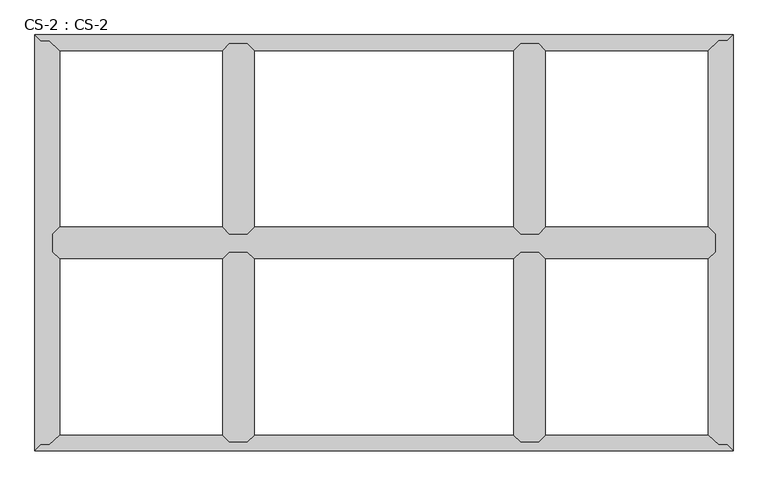
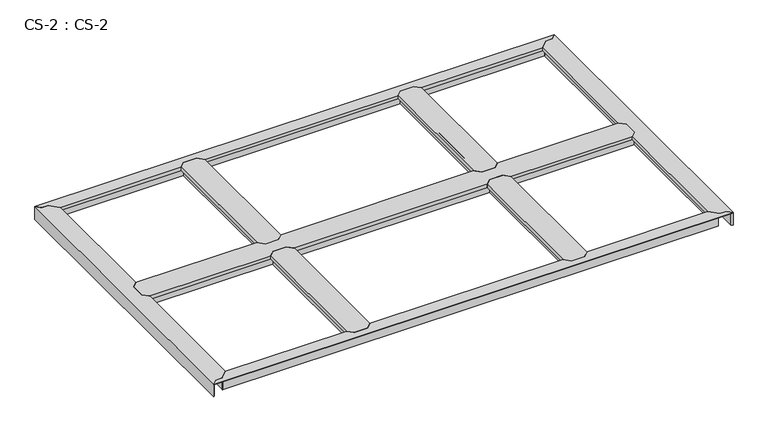
"""IFC4 building model written with IfcOpenShell, lengths in millimetres: proxy geometry, CS-2 : CS-2."""

import ifcopenshell
import ifcopenshell.guid

model = None  # the IFC model being written
_history = None  # IfcOwnerHistory: only IFC2X3 demands one
_inside = {}  # id of a spatial element -> (the spatial element, [elements in it])
_under = {}  # id of a project, library or spatial element -> (it, [spatial elements below it])
_declared = {}  # id of a project -> (the project, [libraries it declares])
_typed = {}  # id of a type object -> (the type object, [elements of that type])
_made_of = {}  # id of a material, layer set ... -> (it, [elements and type objects made of it])


def new_model(schema):
    """Start an empty IFC model of exactly this schema.

    Asked for "IFC4X3", IfcOpenShell would pick the latest addendum, in which some entities
    have other attributes; the version numbers below select the first issue.
    IFC2X3 requires an IfcOwnerHistory on every rooted entity: one is made here for all.
    """
    global model, _history
    if schema == "IFC4X3":
        model = ifcopenshell.file(schema_version=(4, 3, 0, 0))
    else:
        model = ifcopenshell.file(schema=schema)
    _inside.clear()
    _under.clear()
    _declared.clear()
    _typed.clear()
    _made_of.clear()
    _history = None
    if model.schema == "IFC2X3":
        org = make("IfcOrganization", Name="unknown")
        user = make(
            "IfcPersonAndOrganization",
            ThePerson=make("IfcPerson", FamilyName="unknown"),
            TheOrganization=org,
        )
        app = make(
            "IfcApplication",
            ApplicationDeveloper=org,
            Version="unknown",
            ApplicationFullName="unknown",
            ApplicationIdentifier="unknown",
        )
        _history = make(
            "IfcOwnerHistory",
            OwningUser=user,
            OwningApplication=app,
            ChangeAction="ADDED",
            CreationDate=0,
        )
    return model


def make(cls, **values):
    """One entity of the class cls with the attributes given. An attribute that is None is left unset."""
    return model.create_entity(
        cls, **{name: value for name, value in values.items() if value is not None}
    )


def rooted(cls, **values):
    """An entity with a GlobalId (a new one), such as an element, a storey or a relation."""
    return make(cls, GlobalId=ifcopenshell.guid.new(), OwnerHistory=_history, **values)


def si_unit(unit_type, name, prefix=None):
    """IfcSIUnit, for example si_unit("LENGTHUNIT", "METRE", prefix="MILLI")."""
    return make("IfcSIUnit", UnitType=unit_type, Prefix=prefix, Name=name)


def assignment(units):
    """IfcUnitAssignment: the units of a project."""
    return None if units is None else make("IfcUnitAssignment", Units=units)


def point(xyz):
    """IfcCartesianPoint."""
    return None if xyz is None else make("IfcCartesianPoint", Coordinates=xyz)


def direction(xyz):
    """IfcDirection."""
    return None if xyz is None else make("IfcDirection", DirectionRatios=xyz)


def frame(location, z_axis=None, x_axis=None):
    """IfcAxis2Placement3D, a coordinate frame: its origin and axes. An axis left out is left unset."""
    return make(
        "IfcAxis2Placement3D",
        Location=point(location),
        Axis=direction(z_axis),
        RefDirection=direction(x_axis),
    )


def origin():
    """The frame at (0, 0, 0) with its axes left unset."""
    return frame((0.0, 0.0, 0.0))


def place(relative_to, where):
    """IfcLocalPlacement: puts the frame where relative to a parent placement (None: the world)."""
    return make(
        "IfcLocalPlacement", PlacementRelTo=relative_to, RelativePlacement=where
    )


def context(
    kind, dimensions, precision=None, world=None, true_north=None, identifier=None
):
    """IfcGeometricRepresentationContext, for example the 3D "Model" context."""
    return make(
        "IfcGeometricRepresentationContext",
        ContextIdentifier=identifier,
        ContextType=kind,
        CoordinateSpaceDimension=dimensions,
        Precision=precision,
        WorldCoordinateSystem=world,
        TrueNorth=true_north,
    )


def project(units=None, contexts=None):
    """IfcProject with its units and contexts."""
    return rooted(
        "IfcProject",
        Name="project",
        RepresentationContexts=contexts,
        UnitsInContext=assignment(units),
    )


def spatial(cls, under=None, at=None, **own):
    """A site, building, storey or space (cls), placed at a placement, below another one or the project."""
    s = rooted(cls, ObjectPlacement=at, **own)
    if under is not None:
        _under.setdefault(under.id(), (under, []))[1].append(s)
    return s


def faces_of(points, faces, orient=None, outer=None):
    """IfcFace entities. A face is a list of loops; a loop is a list of indices into points, from 0.

    orient and outer hold one flag for each loop. By default every Orientation is true, the
    first loop of a face is its IfcFaceOuterBound and the others are IfcFaceBound.
    """
    made = []
    for i, loops in enumerate(faces):
        bounds = []
        for j, loop in enumerate(loops):
            is_outer = j == 0 if outer is None else outer[i][j]
            bounds.append(
                make(
                    "IfcFaceOuterBound" if is_outer else "IfcFaceBound",
                    Bound=make("IfcPolyLoop", Polygon=[points[k] for k in loop]),
                    Orientation=True if orient is None else orient[i][j],
                )
            )
        made.append(make("IfcFace", Bounds=bounds))
    return made


def faceted_brep(points, faces, orient=None, outer=None, voids=None):
    """IfcFacetedBrep: a solid bounded by flat faces; with voids (closed shells), ...WithVoids."""
    shared = [point(p) for p in points]
    hull = make("IfcClosedShell", CfsFaces=faces_of(shared, faces, orient, outer))
    if voids is None:
        return make("IfcFacetedBrep", Outer=hull)
    return make(
        "IfcFacetedBrepWithVoids",
        Outer=hull,
        Voids=[
            make(cls, CfsFaces=faces_of(shared, fs, o, b)) for cls, fs, o, b in voids
        ],
    )


def shape(context_of_items, identifier, shape_type, items):
    """IfcShapeRepresentation: the items that make up one representation, for example the "Body"."""
    return make(
        "IfcShapeRepresentation",
        ContextOfItems=context_of_items,
        RepresentationIdentifier=identifier,
        RepresentationType=shape_type,
        Items=items,
    )


def source(mapping_origin, context_of_items, identifier, shape_type, items):
    """IfcRepresentationMap: a shape defined once, which mapped items show again and again."""
    return make(
        "IfcRepresentationMap",
        MappingOrigin=mapping_origin,
        MappedRepresentation=shape(context_of_items, identifier, shape_type, items),
    )


def transform(
    local_origin,
    x_axis=None,
    y_axis=None,
    z_axis=None,
    scale=None,
    scale2=None,
    scale3=None,
    uniform=True,
):
    """IfcCartesianTransformationOperator3D, or its non-uniform kind. x_axis, y_axis, z_axis: its Axis1, 2, 3."""
    if uniform:
        return make(
            "IfcCartesianTransformationOperator3D",
            Axis1=direction(x_axis),
            Axis2=direction(y_axis),
            LocalOrigin=point(local_origin),
            Scale=scale,
            Axis3=direction(z_axis),
        )
    return make(
        "IfcCartesianTransformationOperator3DnonUniform",
        Axis1=direction(x_axis),
        Axis2=direction(y_axis),
        LocalOrigin=point(local_origin),
        Scale=scale,
        Axis3=direction(z_axis),
        Scale2=scale2,
        Scale3=scale3,
    )


def mapped(mapping_source, mapping_target):
    """IfcMappedItem: shows the shape of a source again, moved by a transform."""
    return make(
        "IfcMappedItem", MappingSource=mapping_source, MappingTarget=mapping_target
    )


def made_of(thing, what):
    """Note that an element or type object is made of a material, layer set ...; save() writes the relation."""
    if what is not None:
        _made_of.setdefault(what.id(), (what, []))[1].append(thing)
    return thing


def element(
    cls,
    number,
    at=None,
    inside=None,
    cuts=None,
    type_object=None,
    material=None,
    context=None,
    identifier="Body",
    shape_type=None,
    held_by="IfcProductDefinitionShape",
    body=None,
    shapes=None,
    **own,
):
    """One element of the class cls, such as IfcWall. Its Tag is "e" and its number.

    at: its placement. inside: the storey or other place that contains it. cuts: it is an
    opening in that element (IfcRelVoidsElement). A single representation is given by context,
    identifier, shape_type and body (its items); several are given by shapes. held_by: the class
    of the entity that holds the representations. save() writes the other relations.
    """
    e = rooted(cls, Tag="e%d" % number, ObjectPlacement=at, **own)
    if body is not None:
        shapes = [shape(context, identifier, shape_type, body)]
    if shapes is not None:
        e.Representation = make(held_by, Representations=shapes)
    if inside is not None:
        _inside.setdefault(inside.id(), (inside, []))[1].append(e)
    if cuts is not None:
        rooted(
            "IfcRelVoidsElement", RelatingBuildingElement=cuts, RelatedOpeningElement=e
        )
    if type_object is not None:
        _typed.setdefault(type_object.id(), (type_object, []))[1].append(e)
    return made_of(e, material)


def aggregate(whole, parts):
    """IfcRelAggregates: a whole, such as a stair, and the parts it consists of."""
    return rooted("IfcRelAggregates", RelatingObject=whole, RelatedObjects=parts)


def save(model, path):
    """Write the relations noted so far, then the file.

    IfcRelAggregates (storeys below a building ...), IfcRelContainedInSpatialStructure (elements
    in a storey), IfcRelDefinesByType, IfcRelAssociatesMaterial and IfcRelDeclares: one each for
    every whole, place, type object, material and project.
    """
    for whole, parts in _under.values():
        aggregate(whole, parts)
    for where, things in _inside.values():
        rooted(
            "IfcRelContainedInSpatialStructure",
            RelatedElements=things,
            RelatingStructure=where,
        )
    for kind, things in _typed.values():
        rooted("IfcRelDefinesByType", RelatedObjects=things, RelatingType=kind)
    for what, things in _made_of.values():
        rooted("IfcRelAssociatesMaterial", RelatedObjects=things, RelatingMaterial=what)
    for by, libraries in _declared.values():
        rooted("IfcRelDeclares", RelatingContext=by, RelatedDefinitions=libraries)
    model.write(path)


def cs_2_cs_2_f6563e17(model_context):
    return source(origin(), model_context, "Body", "Brep", [
        faceted_brep([(1844.04, 1490.98, 46.355), (1844.04, 1490.98, 0.0), (1837.055, 1490.98, 0.0), (1837.055, 1490.98, 63.5), (1784.985, 1490.98, 63.5), (1784.985, 1490.98, 0.0), (1778.0, 1490.98, 0.0), (1778.0, 1490.98, 46.355), (1778.0, 1490.98, 66.675), (1844.04, 1490.98, 66.675), (1778.0, 795.02, 46.355), (1778.0, 795.02, 0.0), (1784.985, 795.02, 0.0), (1784.985, 795.02, 63.5), (1837.055, 795.02, 63.5), (1837.055, 795.02, 0.0), (1844.04, 795.02, 0.0), (1844.04, 795.02, 46.355), (1844.04, 795.02, 66.675), (1778.0, 795.02, 66.675), (1753.362, 819.658, 66.675), (1753.362, 1466.342, 66.675), (1753.362, 1466.342, 49.8094), (1753.362, 819.658, 49.8094), (1754.886, 1467.866, 49.8094), (1754.886, 818.134, 49.8094), (1754.886, 1467.866, 64.643), (1754.886, 818.134, 64.643), (1765.173, 1478.153, 64.643), (1765.173, 807.847, 64.643), (1765.173, 1478.153, 46.355), (1765.173, 807.847, 46.355), (1856.867, 1478.153, 46.355), (1856.867, 807.847, 46.355), (1856.867, 1478.153, 64.643), (1856.867, 807.847, 64.643), (1867.154, 1467.866, 64.643), (1867.154, 818.134, 64.643), (1867.154, 1467.866, 49.8094), (1867.154, 818.134, 49.8094), (1868.678, 1466.342, 49.8094), (1868.678, 819.658, 49.8094), (1868.678, 1466.342, 66.675), (1868.678, 819.658, 66.675)], [[[0, 1, 2, 3, 4, 5, 6, 7, 8, 9]], [[10, 11, 12, 13, 14, 15, 16, 17, 18, 19]], [[20, 21, 22, 23]], [[23, 22, 24, 25]], [[25, 24, 26, 27]], [[27, 26, 28, 29]], [[29, 28, 30, 31]], [[7, 10, 31, 30]], [[7, 6, 11, 10]], [[6, 5, 12, 11]], [[5, 4, 13, 12]], [[4, 3, 14, 13]], [[3, 2, 15, 14]], [[2, 1, 16, 15]], [[1, 0, 17, 16]], [[17, 0, 32, 33]], [[33, 32, 34, 35]], [[35, 34, 36, 37]], [[37, 36, 38, 39]], [[39, 38, 40, 41]], [[41, 40, 42, 43]], [[9, 8, 21, 20, 19, 18, 43, 42]], [[10, 19, 20, 23, 25, 27, 29, 31]], [[18, 17, 33, 35, 37, 39, 41, 43]], [[0, 9, 42, 40, 38, 36, 34, 32]], [[8, 7, 30, 28, 26, 24, 22, 21]]]),
        faceted_brep([(777.24, 1490.98, 46.355), (777.24, 1490.98, 0.0), (770.255, 1490.98, 0.0), (770.255, 1490.98, 63.5), (718.185, 1490.98, 63.5), (718.185, 1490.98, 0.0), (711.2, 1490.98, 0.0), (711.2, 1490.98, 46.355), (711.2, 1490.98, 66.675), (777.24, 1490.98, 66.675), (711.2, 795.02, 46.355), (711.2, 795.02, 0.0), (718.185, 795.02, 0.0), (718.185, 795.02, 63.5), (770.255, 795.02, 63.5), (770.255, 795.02, 0.0), (777.24, 795.02, 0.0), (777.24, 795.02, 46.355), (777.24, 795.02, 66.675), (711.2, 795.02, 66.675), (686.562, 819.658, 66.675), (686.562, 1466.342, 66.675), (686.562, 1466.342, 49.8094), (686.562, 819.658, 49.8094), (688.086, 1467.866, 49.8094), (688.086, 818.134, 49.8094), (688.086, 1467.866, 64.643), (688.086, 818.134, 64.643), (698.373, 1478.153, 64.643), (698.373, 807.847, 64.643), (698.373, 1478.153, 46.355), (698.373, 807.847, 46.355), (790.067, 1478.153, 46.355), (790.067, 807.847, 46.355), (790.067, 1478.153, 64.643), (790.067, 807.847, 64.643), (800.354, 1467.866, 64.643), (800.354, 818.134, 64.643), (800.354, 1467.866, 49.8094), (800.354, 818.134, 49.8094), (801.878, 1466.342, 49.8094), (801.878, 819.658, 49.8094), (801.878, 1466.342, 66.675), (801.878, 819.658, 66.675)], [[[0, 1, 2, 3, 4, 5, 6, 7, 8, 9]], [[10, 11, 12, 13, 14, 15, 16, 17, 18, 19]], [[20, 21, 22, 23]], [[23, 22, 24, 25]], [[25, 24, 26, 27]], [[27, 26, 28, 29]], [[29, 28, 30, 31]], [[7, 10, 31, 30]], [[7, 6, 11, 10]], [[6, 5, 12, 11]], [[5, 4, 13, 12]], [[4, 3, 14, 13]], [[3, 2, 15, 14]], [[2, 1, 16, 15]], [[1, 0, 17, 16]], [[17, 0, 32, 33]], [[33, 32, 34, 35]], [[35, 34, 36, 37]], [[37, 36, 38, 39]], [[39, 38, 40, 41]], [[41, 40, 42, 43]], [[9, 8, 21, 20, 19, 18, 43, 42]], [[10, 19, 20, 23, 25, 27, 29, 31]], [[18, 17, 33, 35, 37, 39, 41, 43]], [[0, 9, 42, 40, 38, 36, 34, 32]], [[8, 7, 30, 28, 26, 24, 22, 21]]]),
        faceted_brep([(2489.2, 728.98, 46.355), (2489.2, 728.98, 0.0), (2489.2, 735.965, 0.0), (2489.2, 735.965, 63.5), (2489.2, 788.035, 63.5), (2489.2, 788.035, 0.0), (2489.2, 795.02, 0.0), (2489.2, 795.02, 46.355), (2489.2, 795.02, 66.675), (2489.2, 728.98, 66.675), (66.04, 795.02, 46.355), (66.04, 795.02, 0.0), (66.04, 788.035, 0.0), (66.04, 788.035, 63.5), (66.04, 735.965, 63.5), (66.04, 735.965, 0.0), (66.04, 728.98, 0.0), (66.04, 728.98, 46.355), (66.04, 728.98, 66.675), (66.04, 795.02, 66.675), (90.678, 819.658, 49.8094), (90.678, 819.658, 66.675), (686.562, 819.658, 66.675), (686.562, 819.658, 49.8094), (2464.562, 819.658, 66.675), (2464.562, 819.658, 49.8094), (1868.678, 819.658, 49.8094), (1868.678, 819.658, 66.675), (801.878, 819.658, 49.8094), (801.878, 819.658, 66.675), (1753.362, 819.658, 66.675), (1753.362, 819.658, 49.8094), (89.154, 818.134, 49.8094), (688.086, 818.134, 49.8094), (2466.086, 818.134, 49.8094), (1867.154, 818.134, 49.8094), (800.354, 818.134, 49.8094), (1754.886, 818.134, 49.8094), (89.154, 818.134, 64.643), (688.086, 818.134, 64.643), (2466.086, 818.134, 64.643), (1867.154, 818.134, 64.643), (800.354, 818.134, 64.643), (1754.886, 818.134, 64.643), (78.867, 807.847, 64.643), (698.373, 807.847, 64.643), (2476.373, 807.847, 64.643), (1856.867, 807.847, 64.643), (790.067, 807.847, 64.643), (1765.173, 807.847, 64.643), (78.867, 807.847, 46.355), (698.373, 807.847, 46.355), (2476.373, 807.847, 46.355), (1856.867, 807.847, 46.355), (790.067, 807.847, 46.355), (1765.173, 807.847, 46.355), (711.2, 795.02, 46.355), (1844.04, 795.02, 46.355), (777.24, 795.02, 46.355), (1778.0, 795.02, 46.355), (711.2, 795.02, 66.675), (777.24, 795.02, 66.675), (1778.0, 795.02, 66.675), (1844.04, 795.02, 66.675), (1844.04, 728.98, 46.355), (1844.04, 728.98, 66.675), (1778.0, 728.98, 66.675), (1778.0, 728.98, 46.355), (777.24, 728.98, 46.355), (777.24, 728.98, 66.675), (711.2, 728.98, 66.675), (711.2, 728.98, 46.355), (78.867, 716.153, 46.355), (698.373, 716.153, 46.355), (2476.373, 716.153, 46.355), (1856.867, 716.153, 46.355), (790.067, 716.153, 46.355), (1765.173, 716.153, 46.355), (78.867, 716.153, 64.643), (698.373, 716.153, 64.643), (2476.373, 716.153, 64.643), (1856.867, 716.153, 64.643), (790.067, 716.153, 64.643), (1765.173, 716.153, 64.643), (89.154, 705.866, 64.643), (688.086, 705.866, 64.643), (2466.086, 705.866, 64.643), (1867.154, 705.866, 64.643), (800.354, 705.866, 64.643), (1754.886, 705.866, 64.643), (89.154, 705.866, 49.8094), (688.086, 705.866, 49.8094), (2466.086, 705.866, 49.8094), (1867.154, 705.866, 49.8094), (800.354, 705.866, 49.8094), (1754.886, 705.866, 49.8094), (90.678, 704.342, 49.8094), (686.562, 704.342, 49.8094), (2464.562, 704.342, 49.8094), (1868.678, 704.342, 49.8094), (801.878, 704.342, 49.8094), (1753.362, 704.342, 49.8094), (90.678, 704.342, 66.675), (686.562, 704.342, 66.675), (2464.562, 704.342, 66.675), (1868.678, 704.342, 66.675), (801.878, 704.342, 66.675), (1753.362, 704.342, 66.675)], [[[0, 1, 2, 3, 4, 5, 6, 7, 8, 9]], [[10, 11, 12, 13, 14, 15, 16, 17, 18, 19]], [[20, 21, 22, 23]], [[24, 25, 26, 27]], [[28, 29, 30, 31]], [[32, 20, 23, 33]], [[25, 34, 35, 26]], [[36, 28, 31, 37]], [[38, 32, 33, 39]], [[34, 40, 41, 35]], [[42, 36, 37, 43]], [[44, 38, 39, 45]], [[40, 46, 47, 41]], [[48, 42, 43, 49]], [[50, 44, 45, 51]], [[46, 52, 53, 47]], [[54, 48, 49, 55]], [[10, 50, 51, 56]], [[52, 7, 57, 53]], [[58, 54, 55, 59]], [[7, 6, 11, 10, 56, 60, 61, 58, 59, 62, 63, 57]], [[6, 5, 12, 11]], [[5, 4, 13, 12]], [[4, 3, 14, 13]], [[3, 2, 15, 14]], [[2, 1, 16, 15]], [[1, 0, 64, 65, 66, 67, 68, 69, 70, 71, 17, 16]], [[72, 17, 71, 73]], [[0, 74, 75, 64]], [[76, 68, 67, 77]], [[78, 72, 73, 79]], [[74, 80, 81, 75]], [[82, 76, 77, 83]], [[84, 78, 79, 85]], [[80, 86, 87, 81]], [[88, 82, 83, 89]], [[90, 84, 85, 91]], [[86, 92, 93, 87]], [[94, 88, 89, 95]], [[96, 90, 91, 97]], [[92, 98, 99, 93]], [[100, 94, 95, 101]], [[102, 96, 97, 103]], [[98, 104, 105, 99]], [[106, 100, 101, 107]], [[9, 8, 24, 27, 63, 62, 30, 29, 61, 60, 22, 21, 19, 18, 102, 103, 70, 69, 106, 107, 66, 65, 105, 104]], [[10, 19, 21, 20, 32, 38, 44, 50]], [[18, 17, 72, 78, 84, 90, 96, 102]], [[0, 9, 104, 98, 92, 86, 80, 74]], [[8, 7, 52, 46, 40, 34, 25, 24]], [[60, 56, 51, 45, 39, 33, 23, 22]], [[58, 61, 29, 28, 36, 42, 48, 54]], [[62, 59, 55, 49, 43, 37, 31, 30]], [[57, 63, 27, 26, 35, 41, 47, 53]], [[69, 68, 76, 82, 88, 94, 100, 106]], [[71, 70, 103, 97, 91, 85, 79, 73]], [[65, 64, 75, 81, 87, 93, 99, 105]], [[67, 66, 107, 101, 95, 89, 83, 77]]]),
        faceted_brep([(1844.04, 728.98, 46.355), (1844.04, 728.98, 0.0), (1837.055, 728.98, 0.0), (1837.055, 728.98, 63.5), (1784.985, 728.98, 63.5), (1784.985, 728.98, 0.0), (1778.0, 728.98, 0.0), (1778.0, 728.98, 46.355), (1778.0, 728.98, 66.675), (1844.04, 728.98, 66.675), (1778.0, 33.02, 46.355), (1778.0, 33.02, 0.0), (1784.985, 33.02, 0.0), (1784.985, 33.02, 63.5), (1837.055, 33.02, 63.5), (1837.055, 33.02, 0.0), (1844.04, 33.02, 0.0), (1844.04, 33.02, 46.355), (1844.04, 33.02, 66.675), (1778.0, 33.02, 66.675), (1753.362, 57.658, 66.675), (1753.362, 704.342, 66.675), (1753.362, 704.342, 49.8094), (1753.362, 57.658, 49.8094), (1754.886, 705.866, 49.8094), (1754.886, 56.134, 49.8094), (1754.886, 705.866, 64.643), (1754.886, 56.134, 64.643), (1765.173, 716.153, 64.643), (1765.173, 45.847, 64.643), (1765.173, 716.153, 46.355), (1765.173, 45.847, 46.355), (1856.867, 716.153, 46.355), (1856.867, 45.847, 46.355), (1856.867, 716.153, 64.643), (1856.867, 45.847, 64.643), (1867.154, 705.866, 64.643), (1867.154, 56.134, 64.643), (1867.154, 705.866, 49.8094), (1867.154, 56.134, 49.8094), (1868.678, 704.342, 49.8094), (1868.678, 57.658, 49.8094), (1868.678, 704.342, 66.675), (1868.678, 57.658, 66.675)], [[[0, 1, 2, 3, 4, 5, 6, 7, 8, 9]], [[10, 11, 12, 13, 14, 15, 16, 17, 18, 19]], [[20, 21, 22, 23]], [[23, 22, 24, 25]], [[25, 24, 26, 27]], [[27, 26, 28, 29]], [[29, 28, 30, 31]], [[7, 10, 31, 30]], [[7, 6, 11, 10]], [[6, 5, 12, 11]], [[5, 4, 13, 12]], [[4, 3, 14, 13]], [[3, 2, 15, 14]], [[2, 1, 16, 15]], [[1, 0, 17, 16]], [[17, 0, 32, 33]], [[33, 32, 34, 35]], [[35, 34, 36, 37]], [[37, 36, 38, 39]], [[39, 38, 40, 41]], [[41, 40, 42, 43]], [[9, 8, 21, 20, 19, 18, 43, 42]], [[10, 19, 20, 23, 25, 27, 29, 31]], [[18, 17, 33, 35, 37, 39, 41, 43]], [[0, 9, 42, 40, 38, 36, 34, 32]], [[8, 7, 30, 28, 26, 24, 22, 21]]]),
        faceted_brep([(777.24, 728.98, 46.355), (777.24, 728.98, 0.0), (770.255, 728.98, 0.0), (770.255, 728.98, 63.5), (718.185, 728.98, 63.5), (718.185, 728.98, 0.0), (711.2, 728.98, 0.0), (711.2, 728.98, 46.355), (711.2, 728.98, 66.675), (777.24, 728.98, 66.675), (711.2, 33.02, 46.355), (711.2, 33.02, 0.0), (718.185, 33.02, 0.0), (718.185, 33.02, 63.5), (770.255, 33.02, 63.5), (770.255, 33.02, 0.0), (777.24, 33.02, 0.0), (777.24, 33.02, 46.355), (777.24, 33.02, 66.675), (711.2, 33.02, 66.675), (686.562, 57.658, 66.675), (686.562, 704.342, 66.675), (686.562, 704.342, 49.8094), (686.562, 57.658, 49.8094), (688.086, 705.866, 49.8094), (688.086, 56.134, 49.8094), (688.086, 705.866, 64.643), (688.086, 56.134, 64.643), (698.373, 716.153, 64.643), (698.373, 45.847, 64.643), (698.373, 716.153, 46.355), (698.373, 45.847, 46.355), (790.067, 716.153, 46.355), (790.067, 45.847, 46.355), (790.067, 716.153, 64.643), (790.067, 45.847, 64.643), (800.354, 705.866, 64.643), (800.354, 56.134, 64.643), (800.354, 705.866, 49.8094), (800.354, 56.134, 49.8094), (801.878, 704.342, 49.8094), (801.878, 57.658, 49.8094), (801.878, 704.342, 66.675), (801.878, 57.658, 66.675)], [[[0, 1, 2, 3, 4, 5, 6, 7, 8, 9]], [[10, 11, 12, 13, 14, 15, 16, 17, 18, 19]], [[20, 21, 22, 23]], [[23, 22, 24, 25]], [[25, 24, 26, 27]], [[27, 26, 28, 29]], [[29, 28, 30, 31]], [[7, 10, 31, 30]], [[7, 6, 11, 10]], [[6, 5, 12, 11]], [[5, 4, 13, 12]], [[4, 3, 14, 13]], [[3, 2, 15, 14]], [[2, 1, 16, 15]], [[1, 0, 17, 16]], [[17, 0, 32, 33]], [[33, 32, 34, 35]], [[35, 34, 36, 37]], [[37, 36, 38, 39]], [[39, 38, 40, 41]], [[41, 40, 42, 43]], [[9, 8, 21, 20, 19, 18, 43, 42]], [[10, 19, 20, 23, 25, 27, 29, 31]], [[18, 17, 33, 35, 37, 39, 41, 43]], [[0, 9, 42, 40, 38, 36, 34, 32]], [[8, 7, 30, 28, 26, 24, 22, 21]]]),
        faceted_brep([(0.0, 0.0, 66.675), (2555.24, 0.0, 66.675), (2533.65, 21.59, 66.675), (2501.9, 21.59, 66.675), (2464.562, 57.658, 66.675), (1868.678, 57.658, 66.675), (1844.04, 33.02, 66.675), (1778.0, 33.02, 66.675), (1753.362, 57.658, 66.675), (801.878, 57.658, 66.675), (777.24, 33.02, 66.675), (711.2, 33.02, 66.675), (686.562, 57.658, 66.675), (90.678, 57.658, 66.675), (53.34, 21.59, 66.675), (21.59, 21.59, 66.675), (0.0, 0.0, 63.5), (2555.24, 0.0, 63.5), (21.59, 21.59, 63.5), (53.34, 21.59, 63.5), (57.9415141, 26.035, 63.5), (2497.2984859, 26.035, 63.5), (2501.9, 21.59, 63.5), (2533.65, 21.59, 63.5), (2497.2984859, 26.035, 0.0), (57.9415141, 26.035, 0.0), (65.1724648, 33.02, 0.0), (2490.0675352, 33.02, 0.0), (2490.0675352, 33.02, 46.355), (65.1724648, 33.02, 46.355), (711.2, 33.02, 46.355), (777.24, 33.02, 46.355), (1778.0, 33.02, 46.355), (1844.04, 33.02, 46.355), (2476.7888803, 45.847, 46.355), (1856.867, 45.847, 46.355), (78.4511197, 45.847, 46.355), (698.373, 45.847, 46.355), (1765.173, 45.847, 46.355), (790.067, 45.847, 46.355), (2476.7888803, 45.847, 64.643), (1856.867, 45.847, 64.643), (78.4511197, 45.847, 64.643), (698.373, 45.847, 64.643), (1765.173, 45.847, 64.643), (790.067, 45.847, 64.643), (2466.139662, 56.134, 64.643), (1867.154, 56.134, 64.643), (89.100338, 56.134, 64.643), (688.086, 56.134, 64.643), (1754.886, 56.134, 64.643), (800.354, 56.134, 64.643), (2466.139662, 56.134, 49.8094), (1867.154, 56.134, 49.8094), (89.100338, 56.134, 49.8094), (688.086, 56.134, 49.8094), (1754.886, 56.134, 49.8094), (800.354, 56.134, 49.8094), (2464.562, 57.658, 49.8094), (1868.678, 57.658, 49.8094), (90.678, 57.658, 49.8094), (686.562, 57.658, 49.8094), (1753.362, 57.658, 49.8094), (801.878, 57.658, 49.8094)], [[[0, 1, 2, 3, 4, 5, 6, 7, 8, 9, 10, 11, 12, 13, 14, 15]], [[1, 0, 16, 17]], [[17, 16, 18, 19, 20, 21, 22, 23]], [[24, 21, 20, 25]], [[26, 27, 24, 25]], [[28, 27, 26, 29, 30, 11, 10, 31, 32, 7, 6, 33]], [[34, 28, 33, 35]], [[29, 36, 37, 30]], [[38, 32, 31, 39]], [[40, 34, 35, 41]], [[36, 42, 43, 37]], [[44, 38, 39, 45]], [[46, 40, 41, 47]], [[42, 48, 49, 43]], [[50, 44, 45, 51]], [[52, 46, 47, 53]], [[48, 54, 55, 49]], [[56, 50, 51, 57]], [[58, 52, 53, 59]], [[54, 60, 61, 55]], [[62, 56, 57, 63]], [[4, 58, 59, 5]], [[60, 13, 12, 61]], [[8, 62, 63, 9]], [[23, 2, 1, 17]], [[3, 22, 21, 24, 27, 28, 34, 40, 46, 52, 58, 4]], [[2, 23, 22, 3]], [[18, 15, 14, 19]], [[19, 14, 13, 60, 54, 48, 42, 36, 29, 26, 25, 20]], [[15, 18, 16, 0]], [[7, 32, 38, 44, 50, 56, 62, 8]], [[33, 6, 5, 59, 53, 47, 41, 35]], [[11, 30, 37, 43, 49, 55, 61, 12]], [[31, 10, 9, 63, 57, 51, 45, 39]]]),
        faceted_brep([(2555.24, 1524.0, 0.0), (2555.24, 0.0, 0.0), (2548.255, 6.985, 0.0), (2548.255, 1517.015, 0.0), (2548.255, 1517.015, 63.5), (2548.255, 6.985, 63.5), (2533.65, 1502.41, 63.5), (2533.65, 21.59, 63.5), (2501.9, 21.59, 63.5), (2496.185, 27.1106122, 63.5), (2496.185, 1496.8893878, 63.5), (2501.9, 1502.41, 63.5), (2496.185, 1496.8893878, 0.0), (2496.185, 27.1106122, 0.0), (2489.2, 33.8580272, 0.0), (2489.2, 1490.1419728, 0.0), (2489.2, 1490.1419728, 46.355), (2489.2, 33.8580272, 46.355), (2489.2, 728.98, 46.355), (2489.2, 728.98, 66.675), (2489.2, 795.02, 66.675), (2489.2, 795.02, 46.355), (2476.373, 1477.7512653, 46.355), (2476.373, 807.847, 46.355), (2476.373, 46.2487347, 46.355), (2476.373, 716.153, 46.355), (2476.373, 1477.7512653, 63.5), (2476.373, 807.847, 63.5), (2476.373, 46.2487347, 63.5), (2476.373, 716.153, 63.5), (2466.086, 1467.8141633, 63.5), (2466.086, 818.134, 63.5), (2466.086, 56.1858367, 63.5), (2466.086, 705.866, 63.5), (2466.086, 1467.8141633, 49.8094), (2466.086, 818.134, 49.8094), (2466.086, 56.1858367, 49.8094), (2466.086, 705.866, 49.8094), (2464.562, 1466.342, 49.8094), (2464.562, 819.658, 49.8094), (2464.562, 57.658, 49.8094), (2464.562, 704.342, 49.8094), (2464.562, 1466.342, 66.675), (2464.562, 819.658, 66.675), (2464.562, 57.658, 66.675), (2464.562, 704.342, 66.675), (2555.24, 0.0, 66.675), (2555.24, 1524.0, 66.675), (2533.65, 1502.41, 66.675), (2501.9, 1502.41, 66.675), (2501.9, 21.59, 66.675), (2533.65, 21.59, 66.675)], [[[0, 1, 2, 3]], [[4, 3, 2, 5]], [[6, 4, 5, 7, 8, 9, 10, 11]], [[12, 10, 9, 13]], [[14, 15, 12, 13]], [[16, 15, 14, 17, 18, 19, 20, 21]], [[22, 16, 21, 23]], [[17, 24, 25, 18]], [[26, 22, 23, 27]], [[24, 28, 29, 25]], [[30, 26, 27, 31]], [[28, 32, 33, 29]], [[34, 30, 31, 35]], [[32, 36, 37, 33]], [[38, 34, 35, 39]], [[36, 40, 41, 37]], [[42, 38, 39, 43]], [[40, 44, 45, 41]], [[46, 47, 48, 49, 42, 43, 20, 19, 45, 44, 50, 51]], [[1, 0, 47, 46]], [[6, 48, 47, 0, 3, 4]], [[49, 11, 10, 12, 15, 16, 22, 26, 30, 34, 38, 42]], [[48, 6, 11, 49]], [[7, 51, 50, 8]], [[8, 50, 44, 40, 36, 32, 28, 24, 17, 14, 13, 9]], [[51, 7, 5, 2, 1, 46]], [[19, 18, 25, 29, 33, 37, 41, 45]], [[21, 20, 43, 39, 35, 31, 27, 23]]]),
        faceted_brep([(2555.24, 1524.0, 66.675), (0.0, 1524.0, 66.675), (21.59, 1502.41, 66.675), (53.34, 1502.41, 66.675), (90.678, 1466.342, 66.675), (686.562, 1466.342, 66.675), (711.2, 1490.98, 66.675), (777.24, 1490.98, 66.675), (801.878, 1466.342, 66.675), (1753.362, 1466.342, 66.675), (1778.0, 1490.98, 66.675), (1844.04, 1490.98, 66.675), (1868.678, 1466.342, 66.675), (2464.562, 1466.342, 66.675), (2501.9, 1502.41, 66.675), (2533.65, 1502.41, 66.675), (2555.24, 1524.0, 63.5), (0.0, 1524.0, 63.5), (2533.65, 1502.41, 63.5), (2501.9, 1502.41, 63.5), (2497.2984859, 1497.965, 63.5), (57.9415141, 1497.965, 63.5), (53.34, 1502.41, 63.5), (21.59, 1502.41, 63.5), (57.9415141, 1497.965, 0.0), (2497.2984859, 1497.965, 0.0), (2490.0675352, 1490.98, 0.0), (65.1724648, 1490.98, 0.0), (65.1724648, 1490.98, 46.355), (2490.0675352, 1490.98, 46.355), (1844.04, 1490.98, 46.355), (1778.0, 1490.98, 46.355), (777.24, 1490.98, 46.355), (711.2, 1490.98, 46.355), (78.4511197, 1478.153, 46.355), (698.373, 1478.153, 46.355), (2476.7888803, 1478.153, 46.355), (1856.867, 1478.153, 46.355), (790.067, 1478.153, 46.355), (1765.173, 1478.153, 46.355), (78.4511197, 1478.153, 64.643), (698.373, 1478.153, 64.643), (2476.7888803, 1478.153, 64.643), (1856.867, 1478.153, 64.643), (790.067, 1478.153, 64.643), (1765.173, 1478.153, 64.643), (89.100338, 1467.866, 64.643), (688.086, 1467.866, 64.643), (2466.139662, 1467.866, 64.643), (1867.154, 1467.866, 64.643), (800.354, 1467.866, 64.643), (1754.886, 1467.866, 64.643), (89.100338, 1467.866, 49.8094), (688.086, 1467.866, 49.8094), (2466.139662, 1467.866, 49.8094), (1867.154, 1467.866, 49.8094), (800.354, 1467.866, 49.8094), (1754.886, 1467.866, 49.8094), (90.678, 1466.342, 49.8094), (686.562, 1466.342, 49.8094), (2464.562, 1466.342, 49.8094), (1868.678, 1466.342, 49.8094), (801.878, 1466.342, 49.8094), (1753.362, 1466.342, 49.8094)], [[[0, 1, 2, 3, 4, 5, 6, 7, 8, 9, 10, 11, 12, 13, 14, 15]], [[1, 0, 16, 17]], [[17, 16, 18, 19, 20, 21, 22, 23]], [[24, 21, 20, 25]], [[26, 27, 24, 25]], [[28, 27, 26, 29, 30, 11, 10, 31, 32, 7, 6, 33]], [[34, 28, 33, 35]], [[29, 36, 37, 30]], [[38, 32, 31, 39]], [[40, 34, 35, 41]], [[36, 42, 43, 37]], [[44, 38, 39, 45]], [[46, 40, 41, 47]], [[42, 48, 49, 43]], [[50, 44, 45, 51]], [[52, 46, 47, 53]], [[48, 54, 55, 49]], [[56, 50, 51, 57]], [[58, 52, 53, 59]], [[54, 60, 61, 55]], [[62, 56, 57, 63]], [[4, 58, 59, 5]], [[60, 13, 12, 61]], [[8, 62, 63, 9]], [[23, 2, 1, 17]], [[3, 22, 21, 24, 27, 28, 34, 40, 46, 52, 58, 4]], [[2, 23, 22, 3]], [[18, 15, 14, 19]], [[19, 14, 13, 60, 54, 48, 42, 36, 29, 26, 25, 20]], [[15, 18, 16, 0]], [[7, 32, 38, 44, 50, 56, 62, 8]], [[33, 6, 5, 59, 53, 47, 41, 35]], [[11, 30, 37, 43, 49, 55, 61, 12]], [[31, 10, 9, 63, 57, 51, 45, 39]]]),
        faceted_brep([(0.0, 0.0, 0.0), (0.0, 1524.0, 0.0), (6.985, 1517.015, 0.0), (6.985, 6.985, 0.0), (6.985, 6.985, 63.5), (6.985, 1517.015, 63.5), (21.59, 21.59, 63.5), (21.59, 1502.41, 63.5), (53.34, 1502.41, 63.5), (59.055, 1496.8893878, 63.5), (59.055, 27.1106122, 63.5), (53.34, 21.59, 63.5), (59.055, 27.1106122, 0.0), (59.055, 1496.8893878, 0.0), (66.04, 1490.1419728, 0.0), (66.04, 33.8580272, 0.0), (66.04, 33.8580272, 46.355), (66.04, 1490.1419728, 46.355), (66.04, 795.02, 46.355), (66.04, 795.02, 66.675), (66.04, 728.98, 66.675), (66.04, 728.98, 46.355), (78.867, 46.2487347, 46.355), (78.867, 716.153, 46.355), (78.867, 1477.7512653, 46.355), (78.867, 807.847, 46.355), (78.867, 46.2487347, 63.5), (78.867, 716.153, 63.5), (78.867, 1477.7512653, 63.5), (78.867, 807.847, 63.5), (89.154, 56.1858367, 63.5), (89.154, 705.866, 63.5), (89.154, 1467.8141633, 63.5), (89.154, 818.134, 63.5), (89.154, 56.1858367, 49.8094), (89.154, 705.866, 49.8094), (89.154, 1467.8141633, 49.8094), (89.154, 818.134, 49.8094), (90.678, 57.658, 49.8094), (90.678, 704.342, 49.8094), (90.678, 1466.342, 49.8094), (90.678, 819.658, 49.8094), (90.678, 57.658, 66.675), (90.678, 704.342, 66.675), (90.678, 1466.342, 66.675), (90.678, 819.658, 66.675), (0.0, 1524.0, 66.675), (0.0, 0.0, 66.675), (21.59, 21.59, 66.675), (53.34, 21.59, 66.675), (53.34, 1502.41, 66.675), (21.59, 1502.41, 66.675)], [[[0, 1, 2, 3]], [[4, 3, 2, 5]], [[6, 4, 5, 7, 8, 9, 10, 11]], [[12, 10, 9, 13]], [[14, 15, 12, 13]], [[16, 15, 14, 17, 18, 19, 20, 21]], [[22, 16, 21, 23]], [[17, 24, 25, 18]], [[26, 22, 23, 27]], [[24, 28, 29, 25]], [[30, 26, 27, 31]], [[28, 32, 33, 29]], [[34, 30, 31, 35]], [[32, 36, 37, 33]], [[38, 34, 35, 39]], [[36, 40, 41, 37]], [[42, 38, 39, 43]], [[40, 44, 45, 41]], [[46, 47, 48, 49, 42, 43, 20, 19, 45, 44, 50, 51]], [[1, 0, 47, 46]], [[6, 48, 47, 0, 3, 4]], [[49, 11, 10, 12, 15, 16, 22, 26, 30, 34, 38, 42]], [[48, 6, 11, 49]], [[7, 51, 50, 8]], [[8, 50, 44, 40, 36, 32, 28, 24, 17, 14, 13, 9]], [[51, 7, 5, 2, 1, 46]], [[19, 18, 25, 29, 33, 37, 41, 45]], [[21, 20, 43, 39, 35, 31, 27, 23]]]),
    ])


if __name__ == "__main__":
    model = new_model("IFC4")
    model_context = context("Model", 3, world=origin())
    ifc_project = project(units=[si_unit("LENGTHUNIT", "METRE", prefix="MILLI")], contexts=[model_context])
    site = spatial("IfcSite", under=ifc_project)
    building = spatial("IfcBuilding", under=site)
    placement = place(None, origin())
    cs_2_cs_2_shape = cs_2_cs_2_f6563e17(model_context)
    element("IfcBuildingElementProxy", 1, Name="CS-2 : CS-2", ObjectType="CS-2 : CS-2", at=placement, inside=building, context=model_context, shape_type="MappedRepresentation", body=[
        mapped(cs_2_cs_2_shape, transform((0.0, 0.0, 0.0), x_axis=(1.0, 0.0, 0.0), y_axis=(0.0, 1.0, 0.0), z_axis=(0.0, 0.0, 1.0))),
    ])
    save(model, "model.ifc")
